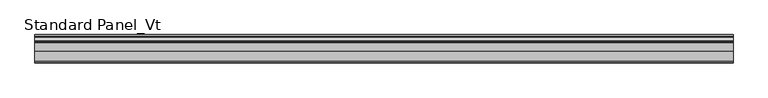
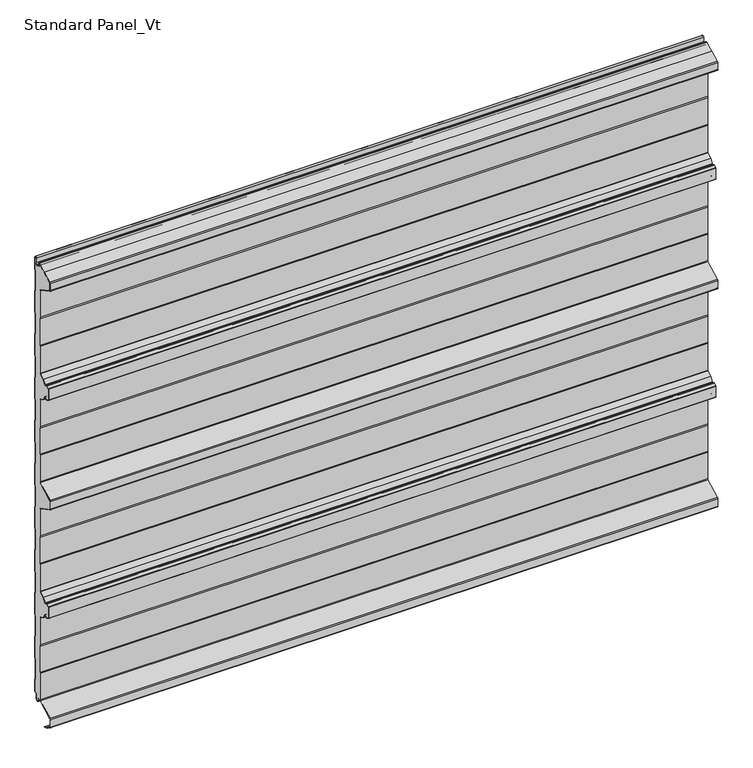
"""IFC4 building model written with IfcOpenShell, lengths in millimetres: proxy geometry, Standard Panel_Vt."""

from ifc_helpers import new_model, si_unit, point, frame, frame_2d, origin, place, context, project, spatial, polyline, circle_curve, trimmed, segment, composite_curve, outline, extrude, source, transform, mapped, element, save


def standard_panel_vt_9c9b9785(model_context):
    return source(origin(), model_context, "Body", "SweptSolid", [
        extrude(outline(composite_curve([segment(polyline([(-19.186297, 32.543601), (-19.186297, 93.8381725), (-20.1546867, 96.2198058), (-20.1546867, 156.0111465), (-19.186297, 158.3927799), (-19.186297, 220.5320467)]), True, "CONTINUOUS"), segment(trimmed(circle_curve(frame_2d((-20.9862949, 220.5292608)), 1.8), [point((-19.186297, 220.5320467))], [point((-20.1412302, 222.118558))], True, "CARTESIAN"), True, "CONTINUOUS"), segment(polyline([(-20.1412302, 222.118558), (-31.6593134, 228.2429789), (-37.3469308, 237.2263708)]), True, "CONTINUOUS"), segment(trimmed(circle_curve(frame_2d((-38.8677478, 236.2635023)), 1.8), [point((-37.3469308, 237.2263708))], [point((-39.6746224, 237.8725248))], True, "CARTESIAN"), True, "CONTINUOUS"), segment(polyline([(-39.6746224, 237.8725248), (-44.8535484, 235.275455), (-50.4532499, 238.2529407), (-50.4532499, 263.7469089), (-44.8427209, 266.730009), (-39.6745401, 264.1381991)]), True, "CONTINUOUS"), segment(trimmed(circle_curve(frame_2d((-38.8676336, 265.7472056)), 1.8), [point((-39.6745401, 264.1381991))], [point((-37.3468358, 264.7843069))], True, "CARTESIAN"), True, "CONTINUOUS"), segment(polyline([(-37.3468358, 264.7843069), (-31.6695862, 273.7509288), (-20.1411234, 279.880575)]), True, "CONTINUOUS"), segment(trimmed(circle_curve(frame_2d((-20.9860322, 281.4696552)), 1.7997352), [point((-20.1411234, 279.880575))], [point((-19.186297, 281.4696552))], True, "CARTESIAN"), True, "CONTINUOUS"), segment(polyline([(-19.186297, 281.4696552), (-19.186297, 343.6072197), (-20.1546867, 345.9888602), (-20.1546867, 405.780201), (-19.186297, 408.1618409), (-19.186297, 469.4564123)]), True, "CONTINUOUS"), segment(trimmed(circle_curve(frame_2d((-21.736297, 469.4564123)), 2.55), [point((-19.186297, 469.4564123))], [point((-20.5391446, 471.7079287))], True, "CARTESIAN"), True, "CONTINUOUS"), segment(polyline([(-20.5391446, 471.7079287), (-56.4671034, 490.8111633)]), True, "CONTINUOUS"), segment(trimmed(circle_curve(frame_2d((-55.5046867, 492.6212058)), 2.05), [point((-56.4671034, 490.8111633))], [point((-57.5546867, 492.6212058))], False, "CARTESIAN"), True, "CONTINUOUS"), segment(polyline([(-57.5546867, 492.6212058), (-57.5546867, 509.3787942)]), True, "CONTINUOUS"), segment(trimmed(circle_curve(frame_2d((-55.5046867, 509.3787942)), 2.05), [point((-57.5546867, 509.3787942))], [point((-56.4671034, 511.1888367))], False, "CARTESIAN"), True, "CONTINUOUS"), segment(polyline([(-56.4671034, 511.1888367), (-20.5391446, 530.2920713)]), True, "CONTINUOUS"), segment(trimmed(circle_curve(frame_2d((-21.736297, 532.5435877)), 2.55), [point((-20.5391446, 530.2920713))], [point((-19.186297, 532.5435877))], True, "CARTESIAN"), True, "CONTINUOUS"), segment(polyline([(-19.186297, 532.5435877), (-19.186297, 593.8381591), (-20.1546867, 596.219799), (-20.1546867, 656.0111398), (-19.186297, 658.3927797), (-19.186297, 720.3455631)]), True, "CONTINUOUS"), segment(trimmed(circle_curve(frame_2d((-20.9767874, 720.5303448)), 1.8), [point((-19.186297, 720.3455631))], [point((-20.1317543, 722.1196588))], True, "CARTESIAN"), True, "CONTINUOUS"), segment(polyline([(-20.1317543, 722.1196588), (-31.6597772, 728.2490711), (-37.3370268, 737.2156932)]), True, "CONTINUOUS"), segment(trimmed(circle_curve(frame_2d((-38.8578247, 736.2527945)), 1.8), [point((-37.3370268, 737.2156932))], [point((-39.6647312, 737.861801))], True, "CARTESIAN"), True, "CONTINUOUS"), segment(polyline([(-39.6647312, 737.861801), (-44.8329103, 735.269992), (-50.4436039, 738.2530732), (-50.4436039, 763.7469201), (-44.8437404, 766.7245456), (-39.6648134, 764.1274753)]), True, "CONTINUOUS"), segment(trimmed(circle_curve(frame_2d((-38.8579389, 765.7364978)), 1.8), [point((-39.6648134, 764.1274753))], [point((-37.3371219, 764.7736293))], True, "CARTESIAN"), True, "CONTINUOUS"), segment(polyline([(-37.3371219, 764.7736293), (-31.6495044, 773.7570212), (-20.1314213, 779.8814421)]), True, "CONTINUOUS"), segment(trimmed(circle_curve(frame_2d((-20.976486, 781.4707393)), 1.8), [point((-20.1314213, 779.8814421))], [point((-19.186297, 781.6584189))], True, "CARTESIAN"), True, "CONTINUOUS"), segment(polyline([(-19.186297, 781.6584189), (-19.186297, 843.4405047), (-20.1546867, 846.4560136), (-20.1546867, 906.3542239), (-19.186297, 909.3076807), (-19.186297, 970.7065818)]), True, "CONTINUOUS"), segment(trimmed(circle_curve(frame_2d((-21.7061794, 970.7065818)), 2.5198823), [point((-19.186297, 970.7065818))], [point((-20.4953296, 972.91648))], True, "CARTESIAN"), True, "CONTINUOUS"), segment(polyline([(-20.4953296, 972.91648), (-55.4676577, 991.4349523)]), True, "CONTINUOUS"), segment(trimmed(circle_curve(frame_2d((-54.5046867, 993.2447)), 2.05), [point((-55.4676577, 991.4349523))], [point((-56.5546867, 993.2447))], False, "CARTESIAN"), True, "CONTINUOUS"), segment(polyline([(-56.5546867, 993.2447), (-56.5546867, 1008.7553)]), True, "CONTINUOUS"), segment(trimmed(circle_curve(frame_2d((-54.5046867, 1008.7553)), 2.05), [point((-56.5546867, 1008.7553))], [point((-55.4671034, 1010.5653426))], False, "CARTESIAN"), True, "CONTINUOUS"), segment(polyline([(-55.4671034, 1010.5653426), (-16.7422613, 1031.1557063), (-15.3551162, 1031.1557063)]), True, "CONTINUOUS"), segment(trimmed(circle_curve(frame_2d((-15.3274964, 1029.5059375)), 1.65), [point((-15.3551162, 1031.1557063))], [point((-16.9611095, 1029.7379036))], True, "CARTESIAN"), True, "CONTINUOUS"), segment(polyline([(-16.9611095, 1029.7379036), (-17.660313, 1024.8137877), (-16.8682582, 1024.7013192), (-16.1690547, 1029.6254352)]), True, "CONTINUOUS"), segment(trimmed(circle_curve(frame_2d((-15.3274964, 1029.5059375)), 0.85), [point((-16.1690547, 1029.6254352))], [point((-14.4904098, 1029.6535385))], False, "CARTESIAN"), True, "CONTINUOUS"), segment(polyline([(-14.4904098, 1029.6535385), (-13.7278368, 1025.3287722)]), True, "CONTINUOUS"), segment(trimmed(circle_curve(frame_2d((-9.05, 1026.153601)), 4.75), [point((-13.7278368, 1025.3287722))], [point((-4.3, 1026.153601))], True, "CARTESIAN"), True, "CONTINUOUS"), segment(polyline([(-4.3, 1026.153601), (-4.3, 1035.653601)]), True, "CONTINUOUS"), segment(trimmed(circle_curve(frame_2d((-2.55, 1035.653601)), 1.75), [point((-4.3, 1035.653601))], [point((-0.8, 1035.653601))], False, "CARTESIAN"), True, "CONTINUOUS"), segment(polyline([(-0.8, 1035.653601), (-0.8, 1008.0956151), (-1.8, 1006.3635643), (-1.8, 959.8989472), (-0.8, 958.1668964), (-0.8, 909.0956151), (-1.8, 907.3635643), (-1.8, 860.8989472), (-0.8, 859.1668964), (-0.8, 810.0956151), (-1.8, 808.3635643), (-1.8, 761.8989472), (-0.8, 760.1668964), (-0.8, 711.0974098), (-1.8, 709.3229083), (-1.8, 662.8989472), (-0.8, 661.1668964), (-0.8, 612.0956151), (-1.8, 610.3635643), (-1.8, 563.8989472), (-0.8, 562.1668964), (-0.8, 513.0956151), (-1.8, 511.3635643), (-1.8, 464.8989472), (-0.8, 463.1668964), (-0.8, 414.0974098), (-1.8, 412.3229083), (-1.8, 365.8989472), (-0.8, 364.1668964), (-0.8, 315.0974098), (-1.8, 313.3229083), (-1.8, 266.8989472), (-0.8, 265.1668964), (-0.8, 216.0956151), (-1.8, 214.3635643), (-1.8, 167.8989472), (-0.786297, 166.1668964), (-0.786297, 117.0974098), (-1.786297, 115.3229083), (-1.786297, 68.8989472), (-0.786297, 67.1668964), (-0.786297, 40.153601)]), True, "CONTINUOUS"), segment(trimmed(circle_curve(frame_2d((-2.036297, 40.153601)), 1.25), [point((-0.786297, 40.153601))], [point((-2.036297, 38.903601))], False, "CARTESIAN"), True, "CONTINUOUS"), segment(polyline([(-2.036297, 38.903601), (-3.436297, 38.903601)]), True, "CONTINUOUS"), segment(trimmed(circle_curve(frame_2d((-3.436297, 36.153601)), 2.75), [point((-3.436297, 38.903601))], [point((-6.186297, 36.153601))], True, "CARTESIAN"), True, "CONTINUOUS"), segment(polyline([(-6.186297, 36.153601), (-6.186297, 26.353601)]), True, "CONTINUOUS"), segment(trimmed(circle_curve(frame_2d((-9.036297, 26.353601)), 2.85), [point((-6.186297, 26.353601))], [point((-11.8132517, 25.7124905))], False, "CARTESIAN"), True, "CONTINUOUS"), segment(polyline([(-11.8132517, 25.7124905), (-13.0699171, 31.1557062), (-19.5970804, 31.1557062)]), True, "CONTINUOUS"), segment(trimmed(circle_curve(frame_2d((-21.736297, 32.543601)), 2.55), [point((-19.5970804, 31.1557062))], [point((-19.186297, 32.543601))], True, "CARTESIAN"), True, "CONTINUOUS")], self_intersect=False)), frame((-723.9042608, 0.0, 0.0), z_axis=(1.0, 0.0, 0.0), x_axis=(0.0, 1.0, 0.0)), (0.0, 0.0, 1.0), 1447.8085217),
        extrude(outline(composite_curve([segment(polyline([(-20.0, 32.543601), (-20.0, 93.6817477), (-20.9683897, 96.0633811), (-20.9683897, 156.1675713), (-20.0, 158.5492046), (-20.0, 220.5313373)]), True, "CONTINUOUS"), segment(trimmed(circle_curve(frame_2d((-20.9999978, 220.5292608)), 1.0), [point((-20.0, 220.5313373))], [point((-20.5305175, 221.4122037))], True, "CARTESIAN"), True, "CONTINUOUS"), segment(polyline([(-20.5305175, 221.4122037), (-32.2356263, 227.6360703), (-38.0365524, 236.7984293)]), True, "CONTINUOUS"), segment(trimmed(circle_curve(frame_2d((-38.8814507, 236.2635023)), 1.0), [point((-38.0365524, 236.7984293))], [point((-39.3297144, 237.1574037))], True, "CARTESIAN"), True, "CONTINUOUS"), segment(polyline([(-39.3297144, 237.1574037), (-44.4163001, 234.6066397)]), True, "CONTINUOUS"), segment(trimmed(circle_curve(frame_2d((-44.8645637, 235.5005411)), 1.0), [point((-44.4163001, 234.6066397))], [point((-45.3340441, 234.6175982))], False, "CARTESIAN"), True, "CONTINUOUS"), segment(polyline([(-45.3340441, 234.6175982), (-50.4714183, 237.3492543)]), True, "CONTINUOUS"), segment(trimmed(circle_curve(frame_2d((-49.7671978, 238.6736686)), 1.5), [point((-50.4714183, 237.3492543))], [point((-51.2669529, 238.7007726))], False, "CARTESIAN"), True, "CONTINUOUS"), segment(polyline([(-51.2669529, 238.7007726), (-51.2669529, 263.3263018)]), True, "CONTINUOUS"), segment(trimmed(circle_curve(frame_2d((-49.7669529, 263.3263018)), 1.5), [point((-51.2669529, 263.3263018))], [point((-50.4711471, 264.6507302))], False, "CARTESIAN"), True, "CONTINUOUS"), segment(polyline([(-50.4711471, 264.6507302), (-45.3232034, 267.3878751)]), True, "CONTINUOUS"), segment(trimmed(circle_curve(frame_2d((-44.8537406, 266.5049228)), 1.0), [point((-45.3232034, 267.3878751))], [point((-44.4054592, 267.3988153))], False, "CARTESIAN"), True, "CONTINUOUS"), segment(polyline([(-44.4054592, 267.3988153), (-39.329618, 264.8533131)]), True, "CONTINUOUS"), segment(trimmed(circle_curve(frame_2d((-38.8813366, 265.7472056)), 1.0), [point((-39.329618, 264.8533131))], [point((-38.0364489, 265.2122618))], True, "CARTESIAN"), True, "CONTINUOUS"), segment(polyline([(-38.0364489, 265.2122618), (-32.2458871, 274.3578486), (-20.5303966, 280.5869367)]), True, "CONTINUOUS"), segment(trimmed(circle_curve(frame_2d((-20.9997352, 281.4696552)), 0.9997353), [point((-20.5303966, 280.5869367))], [point((-19.9999999, 281.4696552))], True, "CARTESIAN"), True, "CONTINUOUS"), segment(polyline([(-19.9999999, 281.4696552), (-19.9999999, 343.4507954), (-20.9683897, 345.8324358), (-20.9683897, 405.9366254), (-20.0, 408.3182652), (-20.0, 469.4564123)]), True, "CONTINUOUS"), segment(trimmed(circle_curve(frame_2d((-21.75, 469.4564123)), 1.75), [point((-20.0, 469.4564123))], [point((-20.9284248, 471.0015706))], True, "CARTESIAN"), True, "CONTINUOUS"), segment(polyline([(-20.9284248, 471.0015706), (-56.8563836, 490.1048052)]), True, "CONTINUOUS"), segment(trimmed(circle_curve(frame_2d((-55.5183897, 492.6212058)), 2.85), [point((-56.8563836, 490.1048052))], [point((-58.3683897, 492.6212058))], False, "CARTESIAN"), True, "CONTINUOUS"), segment(polyline([(-58.3683897, 492.6212058), (-58.3683897, 509.3787942)]), True, "CONTINUOUS"), segment(trimmed(circle_curve(frame_2d((-55.5183897, 509.3787942)), 2.85), [point((-58.3683897, 509.3787942))], [point((-56.8563836, 511.8951948))], False, "CARTESIAN"), True, "CONTINUOUS"), segment(polyline([(-56.8563836, 511.8951948), (-20.9284248, 530.9984294)]), True, "CONTINUOUS"), segment(trimmed(circle_curve(frame_2d((-21.75, 532.5435877)), 1.75), [point((-20.9284248, 530.9984294))], [point((-20.0, 532.5435877))], True, "CARTESIAN"), True, "CONTINUOUS"), segment(polyline([(-20.0, 532.5435877), (-20.0, 593.6817348), (-20.9683897, 596.0633746), (-20.9683897, 656.1675642), (-20.0, 658.549204), (-20.0, 720.3927626)]), True, "CONTINUOUS"), segment(trimmed(circle_curve(frame_2d((-20.9904904, 720.5303448)), 1.0), [point((-20.0, 720.3927626))], [point((-20.5210275, 721.413297))], True, "CARTESIAN"), True, "CONTINUOUS"), segment(polyline([(-20.5210275, 721.413297), (-32.2360781, 727.6421513), (-38.0266399, 736.7877383)]), True, "CONTINUOUS"), segment(trimmed(circle_curve(frame_2d((-38.8715276, 736.2527945)), 1.0), [point((-38.0266399, 736.7877383))], [point((-39.319809, 737.146687))], True, "CARTESIAN"), True, "CONTINUOUS"), segment(polyline([(-39.319809, 737.146687), (-44.3956503, 734.6011848)]), True, "CONTINUOUS"), segment(trimmed(circle_curve(frame_2d((-44.8439317, 735.4950773)), 1.0), [point((-44.3956503, 734.6011848))], [point((-45.3133815, 734.6121181))], False, "CARTESIAN"), True, "CONTINUOUS"), segment(polyline([(-45.3133815, 734.6121181), (-50.4614397, 737.3492264)]), True, "CONTINUOUS"), segment(trimmed(circle_curve(frame_2d((-49.7572281, 738.6737347)), 1.5000788), [point((-50.4614397, 737.3492264))], [point((-51.2573069, 738.6737347))], False, "CARTESIAN"), True, "CONTINUOUS"), segment(polyline([(-51.2573069, 738.6737347), (-51.2573069, 763.3263498)]), True, "CONTINUOUS"), segment(trimmed(circle_curve(frame_2d((-49.7573465, 763.3263498)), 1.4999604), [point((-51.2573069, 763.3263498))], [point((-50.4615583, 764.6507239))], False, "CARTESIAN"), True, "CONTINUOUS"), segment(polyline([(-50.4615583, 764.6507239), (-45.3242418, 767.3823984)]), True, "CONTINUOUS"), segment(trimmed(circle_curve(frame_2d((-44.8547548, 766.499459)), 1.0), [point((-45.3242418, 767.3823984))], [point((-44.4064911, 767.3933604))], False, "CARTESIAN"), True, "CONTINUOUS"), segment(polyline([(-44.4064911, 767.3933604), (-39.3199055, 764.8425964)]), True, "CONTINUOUS"), segment(trimmed(circle_curve(frame_2d((-38.8716418, 765.7364978)), 1.0), [point((-39.3199055, 764.8425964))], [point((-38.0267435, 765.2015709))], True, "CARTESIAN"), True, "CONTINUOUS"), segment(polyline([(-38.0267435, 765.2015709), (-32.2258174, 774.3639298), (-20.5207085, 780.5877964)]), True, "CONTINUOUS"), segment(trimmed(circle_curve(frame_2d((-20.9901889, 781.4707393)), 1.0), [point((-20.5207085, 780.5877964))], [point((-20.0, 781.6104744))], True, "CARTESIAN"), True, "CONTINUOUS"), segment(polyline([(-20.0, 781.6104744), (-20.0, 843.3152015), (-20.9683897, 846.3307104), (-20.9683897, 906.4820299), (-20.0, 909.4354867), (-20.0, 970.7065818)]), True, "CONTINUOUS"), segment(trimmed(circle_curve(frame_2d((-21.7198823, 970.7065818)), 1.7198823), [point((-20.0, 970.7065818))], [point((-20.8889236, 972.2124048))], True, "CARTESIAN"), True, "CONTINUOUS"), segment(polyline([(-20.8889236, 972.2124048), (-55.8563836, 990.7282994)]), True, "CONTINUOUS"), segment(trimmed(circle_curve(frame_2d((-54.5183897, 993.2447)), 2.85), [point((-55.8563836, 990.7282994))], [point((-57.3683897, 993.2447))], False, "CARTESIAN"), True, "CONTINUOUS"), segment(polyline([(-57.3683897, 993.2447), (-57.3683897, 1008.7553)]), True, "CONTINUOUS"), segment(trimmed(circle_curve(frame_2d((-54.5183897, 1008.7553)), 2.85), [point((-57.3683897, 1008.7553))], [point((-55.8563836, 1011.2717006))], False, "CARTESIAN"), True, "CONTINUOUS"), segment(polyline([(-55.8563836, 1011.2717006), (-35.2289619, 1022.2394953), (-34.8533847, 1021.5331372), (-55.4808064, 1010.5653426)]), True, "CONTINUOUS"), segment(trimmed(circle_curve(frame_2d((-54.5183897, 1008.7553)), 2.05), [point((-55.4808064, 1010.5653426))], [point((-56.5683897, 1008.7553))], True, "CARTESIAN"), True, "CONTINUOUS"), segment(polyline([(-56.5683897, 1008.7553), (-56.5683897, 993.2447)]), True, "CONTINUOUS"), segment(trimmed(circle_curve(frame_2d((-54.5183897, 993.2447)), 2.05), [point((-56.5683897, 993.2447))], [point((-55.4813607, 991.4349523))], True, "CARTESIAN"), True, "CONTINUOUS"), segment(polyline([(-55.4813607, 991.4349523), (-20.5090325, 972.91648)]), True, "CONTINUOUS"), segment(trimmed(circle_curve(frame_2d((-21.7198823, 970.7065818)), 2.5198823), [point((-20.5090325, 972.91648))], [point((-19.2, 970.7065818))], False, "CARTESIAN"), True, "CONTINUOUS"), segment(polyline([(-19.2, 970.7065818), (-19.2, 909.3076807), (-20.1683897, 906.3542239), (-20.1683897, 846.4560136), (-19.2, 843.4405047), (-19.2, 781.6584189)]), True, "CONTINUOUS"), segment(trimmed(circle_curve(frame_2d((-20.9901889, 781.4707393)), 1.8), [point((-19.2, 781.6584189))], [point((-20.1451242, 779.8814421))], False, "CARTESIAN"), True, "CONTINUOUS"), segment(polyline([(-20.1451242, 779.8814421), (-31.6632074, 773.7570212), (-37.3508249, 764.7736293)]), True, "CONTINUOUS"), segment(trimmed(circle_curve(frame_2d((-38.8716418, 765.7364978)), 1.8), [point((-37.3508249, 764.7736293))], [point((-39.6785164, 764.1274753))], False, "CARTESIAN"), True, "CONTINUOUS"), segment(polyline([(-39.6785164, 764.1274753), (-44.8574433, 766.7245456), (-50.4573069, 763.7469201), (-50.4573069, 738.2530732), (-44.8466132, 735.269992), (-39.6784342, 737.861801)]), True, "CONTINUOUS"), segment(trimmed(circle_curve(frame_2d((-38.8715276, 736.2527945)), 1.8), [point((-39.6784342, 737.861801))], [point((-37.3507298, 737.2156932))], False, "CARTESIAN"), True, "CONTINUOUS"), segment(polyline([(-37.3507298, 737.2156932), (-31.6734802, 728.2490711), (-20.1454573, 722.1196588)]), True, "CONTINUOUS"), segment(trimmed(circle_curve(frame_2d((-20.9904904, 720.5303448)), 1.8), [point((-20.1454573, 722.1196588))], [point((-19.2, 720.3455631))], False, "CARTESIAN"), True, "CONTINUOUS"), segment(polyline([(-19.2, 720.3455631), (-19.2, 658.3927797), (-20.1683897, 656.0111398), (-20.1683897, 596.219799), (-19.2, 593.8381591), (-19.2, 532.5435877)]), True, "CONTINUOUS"), segment(trimmed(circle_curve(frame_2d((-21.75, 532.5435877)), 2.55), [point((-19.2, 532.5435877))], [point((-20.5528475, 530.2920713))], False, "CARTESIAN"), True, "CONTINUOUS"), segment(polyline([(-20.5528475, 530.2920713), (-56.4808064, 511.1888367)]), True, "CONTINUOUS"), segment(trimmed(circle_curve(frame_2d((-55.5183897, 509.3787942)), 2.05), [point((-56.4808064, 511.1888367))], [point((-57.5683897, 509.3787942))], True, "CARTESIAN"), True, "CONTINUOUS"), segment(polyline([(-57.5683897, 509.3787942), (-57.5683897, 492.6212058)]), True, "CONTINUOUS"), segment(trimmed(circle_curve(frame_2d((-55.5183897, 492.6212058)), 2.05), [point((-57.5683897, 492.6212058))], [point((-56.4808064, 490.8111633))], True, "CARTESIAN"), True, "CONTINUOUS"), segment(polyline([(-56.4808064, 490.8111633), (-20.5528475, 471.7079287)]), True, "CONTINUOUS"), segment(trimmed(circle_curve(frame_2d((-21.75, 469.4564123)), 2.55), [point((-20.5528475, 471.7079287))], [point((-19.2, 469.4564123))], False, "CARTESIAN"), True, "CONTINUOUS"), segment(polyline([(-19.2, 469.4564123), (-19.2, 408.1618409), (-20.1683897, 405.780201), (-20.1683897, 345.9888602), (-19.2, 343.6072197), (-19.2, 281.4696552)]), True, "CONTINUOUS"), segment(trimmed(circle_curve(frame_2d((-20.9997352, 281.4696552)), 1.7997352), [point((-19.2, 281.4696552))], [point((-20.1548264, 279.880575))], False, "CARTESIAN"), True, "CONTINUOUS"), segment(polyline([(-20.1548264, 279.880575), (-31.6832892, 273.7509288), (-37.3605387, 264.7843069)]), True, "CONTINUOUS"), segment(trimmed(circle_curve(frame_2d((-38.8813366, 265.7472056)), 1.8), [point((-37.3605387, 264.7843069))], [point((-39.6882431, 264.1381991))], False, "CARTESIAN"), True, "CONTINUOUS"), segment(polyline([(-39.6882431, 264.1381991), (-44.8564238, 266.730009), (-50.4669529, 263.7469089), (-50.4669529, 238.2529407), (-44.8672514, 235.275455), (-39.6883253, 237.8725248)]), True, "CONTINUOUS"), segment(trimmed(circle_curve(frame_2d((-38.8814507, 236.2635023)), 1.8), [point((-39.6883253, 237.8725248))], [point((-37.3606338, 237.2263708))], False, "CARTESIAN"), True, "CONTINUOUS"), segment(polyline([(-37.3606338, 237.2263708), (-31.6730163, 228.2429789), (-20.1549332, 222.118558)]), True, "CONTINUOUS"), segment(trimmed(circle_curve(frame_2d((-20.9999978, 220.5292608)), 1.8), [point((-20.1549332, 222.118558))], [point((-19.2, 220.5320467))], False, "CARTESIAN"), True, "CONTINUOUS"), segment(polyline([(-19.2, 220.5320467), (-19.2, 158.3927799), (-20.1683897, 156.0111465), (-20.1683897, 96.2198058), (-19.2, 93.8381725), (-19.2, 32.543601)]), True, "CONTINUOUS"), segment(trimmed(circle_curve(frame_2d((-21.75, 32.543601)), 2.55), [point((-19.2, 32.543601))], [point((-20.5528475, 30.2920847))], False, "CARTESIAN"), True, "CONTINUOUS"), segment(polyline([(-20.5528475, 30.2920847), (-56.4808064, 11.1888501)]), True, "CONTINUOUS"), segment(trimmed(circle_curve(frame_2d((-55.5183897, 9.3788075)), 2.05), [point((-56.4808064, 11.1888501))], [point((-57.5683897, 9.3788075))], True, "CARTESIAN"), True, "CONTINUOUS"), segment(polyline([(-57.5683897, 9.3788075), (-57.5683897, -7.362)]), True, "CONTINUOUS"), segment(trimmed(circle_curve(frame_2d((-55.5183897, -7.362)), 2.05), [point((-57.5683897, -7.362))], [point((-56.4808064, -9.1720426))], True, "CARTESIAN"), True, "CONTINUOUS"), segment(polyline([(-56.4808064, -9.1720426), (-47.1800551, -14.1173397), (-44.9723908, -16.438449), (-41.7360251, -17.0119818), (-35.8533964, -20.139831), (-36.2289737, -20.846189), (-42.000038, -17.7776597), (-45.3708693, -17.1802976), (-47.6702585, -14.76275), (-56.8563836, -9.8784006)]), True, "CONTINUOUS"), segment(trimmed(circle_curve(frame_2d((-55.5183897, -7.362)), 2.85), [point((-56.8563836, -9.8784006))], [point((-58.3683897, -7.362))], False, "CARTESIAN"), True, "CONTINUOUS"), segment(polyline([(-58.3683897, -7.362), (-58.3683897, 9.3788075)]), True, "CONTINUOUS"), segment(trimmed(circle_curve(frame_2d((-55.5183897, 9.3788075)), 2.85), [point((-58.3683897, 9.3788075))], [point((-56.8563836, 11.8952082))], False, "CARTESIAN"), True, "CONTINUOUS"), segment(polyline([(-56.8563836, 11.8952082), (-20.9284248, 30.9984427)]), True, "CONTINUOUS"), segment(trimmed(circle_curve(frame_2d((-21.75, 32.543601)), 1.75), [point((-20.9284248, 30.9984427))], [point((-20.0, 32.543601))], True, "CARTESIAN"), True, "CONTINUOUS")], self_intersect=False)), frame((-723.9042608, 0.0, 0.0), z_axis=(1.0, 0.0, 0.0), x_axis=(0.0, 1.0, 0.0)), (0.0, 0.0, 1.0), 1447.8085217),
        extrude(outline(composite_curve([segment(polyline([(0.0, 1035.653601), (0.0, 1007.8812557), (-1.0, 1006.1492049), (-1.0, 960.1133065), (0.0, 958.3812557), (0.0, 908.8812557), (-1.0, 907.1492049), (-1.0, 861.1133065), (0.0, 859.3812557), (0.0, 809.8812557), (-1.0, 808.1492049), (-1.0, 762.1133065), (0.0, 760.3812557), (0.0, 710.8875118), (-1.0, 709.1130103), (-1.0, 663.1133065), (0.0, 661.3812557), (0.0, 611.8812557), (-1.0, 610.1492049), (-1.0, 564.1133065), (0.0, 562.3812557), (0.0, 512.8812557), (-1.0, 511.1492049), (-1.0, 465.1133065), (0.0, 463.3812557), (0.0, 413.8875118), (-1.0, 412.1130103), (-1.0, 366.1133065), (0.0, 364.3812557), (0.0, 314.8875118), (-1.0, 313.1130103), (-1.0, 267.1133065), (0.0, 265.3812557), (0.0, 215.8812557), (-1.0, 214.1492049), (-1.0, 168.1133065), (0.013703, 166.3812557), (0.013703, 116.8875118), (-0.986297, 115.1130103), (-0.986297, 69.1133065), (0.013703, 67.3812557), (0.013703, 40.153601)]), True, "CONTINUOUS"), segment(trimmed(circle_curve(frame_2d((-2.036297, 40.153601)), 2.05), [point((0.013703, 40.153601))], [point((-2.036297, 38.103601))], False, "CARTESIAN"), True, "CONTINUOUS"), segment(polyline([(-2.036297, 38.103601), (-3.436297, 38.103601)]), True, "CONTINUOUS"), segment(trimmed(circle_curve(frame_2d((-3.436297, 36.153601)), 1.95), [point((-3.436297, 38.103601))], [point((-5.386297, 36.153601))], True, "CARTESIAN"), True, "CONTINUOUS"), segment(polyline([(-5.386297, 36.153601), (-5.386297, 26.353601)]), True, "CONTINUOUS"), segment(trimmed(circle_curve(frame_2d((-9.036297, 26.353601)), 3.65), [point((-5.386297, 26.353601))], [point((-12.5927478, 25.5325297))], False, "CARTESIAN"), True, "CONTINUOUS"), segment(polyline([(-12.5927478, 25.5325297), (-13.8494131, 30.9757453), (-13.0699171, 31.1557062), (-11.8132517, 25.7124905)]), True, "CONTINUOUS"), segment(trimmed(circle_curve(frame_2d((-9.036297, 26.353601)), 2.85), [point((-11.8132517, 25.7124905))], [point((-6.186297, 26.353601))], True, "CARTESIAN"), True, "CONTINUOUS"), segment(polyline([(-6.186297, 26.353601), (-6.186297, 36.153601)]), True, "CONTINUOUS"), segment(trimmed(circle_curve(frame_2d((-3.436297, 36.153601)), 2.75), [point((-6.186297, 36.153601))], [point((-3.436297, 38.903601))], False, "CARTESIAN"), True, "CONTINUOUS"), segment(polyline([(-3.436297, 38.903601), (-2.036297, 38.903601)]), True, "CONTINUOUS"), segment(trimmed(circle_curve(frame_2d((-2.036297, 40.153601)), 1.25), [point((-2.036297, 38.903601))], [point((-0.786297, 40.153601))], True, "CARTESIAN"), True, "CONTINUOUS"), segment(polyline([(-0.786297, 40.153601), (-0.786297, 67.1668964), (-1.786297, 68.8989472), (-1.786297, 115.3229083), (-0.786297, 117.0974098), (-0.786297, 166.1668964), (-1.8, 167.8989472), (-1.8, 214.3635643), (-0.8, 216.0956151), (-0.8, 265.1668964), (-1.8, 266.8989472), (-1.8, 313.3229083), (-0.8, 315.0974098), (-0.8, 364.1668964), (-1.8, 365.8989472), (-1.8, 412.3229083), (-0.8, 414.0974098), (-0.8, 463.1668964), (-1.8, 464.8989472), (-1.8, 511.3635643), (-0.8, 513.0956151), (-0.8, 562.1668964), (-1.8, 563.8989472), (-1.8, 610.3635643), (-0.8, 612.0956151), (-0.8, 661.1668964), (-1.8, 662.8989472), (-1.8, 709.3229083), (-0.8, 711.0974098), (-0.8, 760.1668964), (-1.8, 761.8989472), (-1.8, 808.3635643), (-0.8, 810.0956151), (-0.8, 859.1668964), (-1.8, 860.8989472), (-1.8, 907.3635643), (-0.8, 909.0956151), (-0.8, 958.1668964), (-1.8, 959.8989472), (-1.8, 1006.3635643), (-0.8, 1008.0956151), (-0.8, 1035.653601)]), True, "CONTINUOUS"), segment(trimmed(circle_curve(frame_2d((-2.55, 1035.653601)), 1.75), [point((-0.8, 1035.653601))], [point((-4.3, 1035.653601))], True, "CARTESIAN"), True, "CONTINUOUS"), segment(polyline([(-4.3, 1035.653601), (-4.3, 1026.153601)]), True, "CONTINUOUS"), segment(trimmed(circle_curve(frame_2d((-9.05, 1026.153601)), 4.75), [point((-4.3, 1026.153601))], [point((-13.7278368, 1025.3287722))], False, "CARTESIAN"), True, "CONTINUOUS"), segment(polyline([(-13.7278368, 1025.3287722), (-14.4904098, 1029.6535385)]), True, "CONTINUOUS"), segment(trimmed(circle_curve(frame_2d((-15.3274964, 1029.5059375)), 0.85), [point((-14.4904098, 1029.6535385))], [point((-16.1690547, 1029.6254352))], True, "CARTESIAN"), True, "CONTINUOUS"), segment(polyline([(-16.1690547, 1029.6254352), (-16.8682582, 1024.7013192), (-17.660313, 1024.8137877), (-16.9611095, 1029.7379036)]), True, "CONTINUOUS"), segment(trimmed(circle_curve(frame_2d((-15.3274964, 1029.5059375)), 1.65), [point((-16.9611095, 1029.7379036))], [point((-13.7025636, 1029.792457))], False, "CARTESIAN"), True, "CONTINUOUS"), segment(polyline([(-13.7025636, 1029.792457), (-12.9399906, 1025.4676907)]), True, "CONTINUOUS"), segment(trimmed(circle_curve(frame_2d((-9.05, 1026.153601)), 3.95), [point((-12.9399906, 1025.4676907))], [point((-5.1, 1026.153601))], True, "CARTESIAN"), True, "CONTINUOUS"), segment(polyline([(-5.1, 1026.153601), (-5.1, 1035.653601)]), True, "CONTINUOUS"), segment(trimmed(circle_curve(frame_2d((-2.55, 1035.653601)), 2.55), [point((-5.1, 1035.653601))], [point((0.0, 1035.653601))], False, "CARTESIAN"), True, "CONTINUOUS")], self_intersect=False)), frame((-723.9042608, 0.0, 0.0), z_axis=(1.0, 0.0, 0.0), x_axis=(0.0, 1.0, 0.0)), (0.0, 0.0, 1.0), 1447.8085217),
    ])


if __name__ == "__main__":
    model = new_model("IFC4")
    model_context = context("Model", 3, world=origin())
    ifc_project = project(units=[si_unit("LENGTHUNIT", "METRE", prefix="MILLI")], contexts=[model_context])
    site = spatial("IfcSite", under=ifc_project)
    building = spatial("IfcBuilding", under=site)
    placement = place(None, origin())
    standard_panel_vt_shape = standard_panel_vt_9c9b9785(model_context)
    element("IfcBuildingElementProxy", 1, Name="Standard Panel_Vt", ObjectType="Standard Panel_Vt", at=placement, inside=building, context=model_context, shape_type="MappedRepresentation", body=[
        mapped(standard_panel_vt_shape, transform((0.0, 0.0, 0.0), x_axis=(1.0, 0.0, 0.0), y_axis=(0.0, 1.0, 0.0), z_axis=(0.0, 0.0, 1.0))),
    ])
    save(model, "model.ifc")
